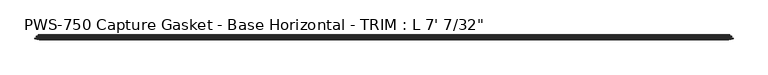
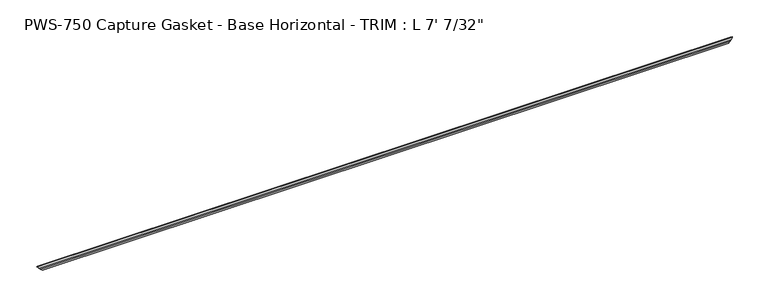
"""IFC4 building model written with IfcOpenShell, lengths in millimetres: proxy geometry."""

from ifc_helpers import new_model, si_unit, origin, place, context, project, spatial, faceted_brep, source, transform, mapped, element, save


def proxy_7d2cedb7(model_context):
    return source(origin(), model_context, "Body", "Brep", [
        faceted_brep([(2128.6382396, 11.3058688, 3.7741579), (10.5180104, 11.3058688, 3.7741579), (9.9694015, 10.5185521, 4.3227669), (2129.1868485, 10.5185521, 4.3227669), (6.8541528, 10.1484847, 7.4380156), (2132.3020972, 10.1484847, 7.4380156), (8.1534683, 11.2380874, 6.1387001), (2131.0027817, 11.2380874, 6.1387001), (4.2087587, 9.8326365, 10.0834097), (2134.9474913, 9.8326365, 10.0834097), (3.6194015, 9.077363, 10.6727669), (2135.5368485, 9.077363, 10.6727669), (4.2455601, 8.3570499, 10.0466082), (2134.9106899, 8.3570499, 10.0466082), (8.1534683, 6.964711, 6.1387001), (2131.0027817, 6.964711, 6.1387001), (6.8541528, 8.0543136, 7.4380156), (2132.3020972, 8.0543136, 7.4380156), (9.9694015, 7.6842462, 4.3227669), (2129.1868485, 7.6842462, 4.3227669), (9.9694015, 4.8395867, 4.3227669), (2129.1868485, 4.8395867, 4.3227669), (4.3825047, 4.8395867, 9.9096637), (2134.7737453, 4.8395867, 9.9096637), (0.0, 3.7618735, 14.2921683), (2139.15625, 3.7618735, 14.2921683), (0.2465562, 2.7592562, 14.0456121), (2138.9096938, 2.7592562, 14.0456121), (5.3486143, 0.3893608, 8.9435541), (2133.8076357, 0.3893608, 8.9435541), (3.2925728, 2.4454023, 10.9995955), (2135.8636772, 2.4454023, 10.9995955), (5.4593479, 2.4454023, 8.8328204), (2133.6969021, 2.4454023, 8.8328204), (8.4293132, 0.3893608, 5.8628551), (2130.7269368, 0.3893608, 5.8628551), (6.5862777, 2.6340331, 7.7058906), (2132.5699723, 2.6340331, 7.7058906), (9.6912611, 2.3338527, 4.6009073), (2129.4649889, 2.3338527, 4.6009073), (13.9270181, 0.0, 0.3651502), (2125.2292319, 0.0, 0.3651502), (14.2921683, 0.7787217, 0.0), (2124.8640817, 0.7787217, 0.0), (11.7400908, 3.3307993, 2.5520776), (2127.4161592, 3.3307993, 2.5520776), (11.3945114, 13.0602862, 2.897657), (2127.7617386, 13.0602862, 2.897657), (10.0363127, 14.4184849, 4.2558556), (2129.1199373, 14.4184849, 4.2558556), (10.0363127, 13.3109165, 4.2558556), (2129.1199373, 13.3109165, 4.2558556)], [[[0, 1, 2, 3]], [[3, 2, 4, 5]], [[5, 4, 6, 7]], [[7, 6, 8, 9]], [[9, 8, 10, 11]], [[11, 10, 12, 13]], [[13, 12, 14, 15]], [[15, 14, 16, 17]], [[17, 16, 18, 19]], [[19, 18, 20, 21]], [[21, 20, 22, 23]], [[24, 25, 23, 22]], [[25, 24, 26, 27]], [[27, 26, 28, 29]], [[29, 28, 30, 31]], [[31, 30, 32, 33]], [[33, 32, 34, 35]], [[35, 34, 36, 37]], [[37, 36, 38, 39]], [[39, 38, 40, 41]], [[41, 40, 42, 43]], [[43, 42, 44, 45]], [[45, 44, 46, 47]], [[47, 46, 48, 49]], [[49, 48, 50, 51]], [[1, 0, 51, 50]], [[0, 3, 5, 7, 9, 11, 13, 15, 17, 19, 21, 23, 25, 27, 29, 31, 33, 35, 37, 39, 41, 43, 45, 47, 49, 51]], [[2, 1, 50, 48, 46, 44, 42, 40, 38, 36, 34, 32, 30, 28, 26, 24, 22, 20, 18, 16, 14, 12, 10, 8, 6, 4]]]),
    ])


if __name__ == "__main__":
    model = new_model("IFC4")
    model_context = context("Model", 3, world=origin())
    ifc_project = project(units=[si_unit("LENGTHUNIT", "METRE", prefix="MILLI")], contexts=[model_context])
    site = spatial("IfcSite", under=ifc_project)
    building = spatial("IfcBuilding", under=site)
    placement = place(None, origin())
    proxy_shape = proxy_7d2cedb7(model_context)
    element("IfcBuildingElementProxy", 1, Name="PWS-750 Capture Gasket - Base Horizontal - TRIM : L 7' 7/32\"", ObjectType="PWS-750 Capture Gasket - Base Horizontal - TRIM : L 7' 7/32\"", at=placement, inside=building, context=model_context, shape_type="MappedRepresentation", body=[
        mapped(proxy_shape, transform((0.0, 0.0, 0.0), x_axis=(1.0, 0.0, 0.0), y_axis=(0.0, 1.0, 0.0), z_axis=(0.0, 0.0, 1.0))),
    ])
    save(model, "model.ifc")
